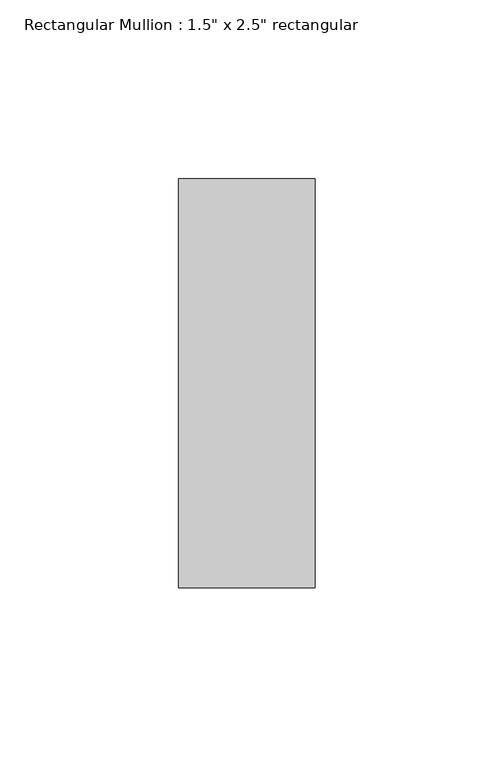
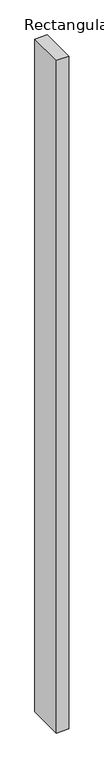
"""IFC4 building model written with IfcOpenShell, lengths in millimetres: member geometry."""

from ifc_helpers import new_model, si_unit, frame, origin, place, context, project, spatial, polyline, outline, extrude, source, transform, mapped, element, save


def member_e5330c10(model_context):
    return source(origin(), model_context, "Body", "SweptSolid", [
        extrude(outline(polyline([(19.05, 57.15), (19.05, -57.15), (-19.05, -57.15), (-19.05, 57.15), (19.05, 57.15)])), frame((0.0, 0.0, -2190.75), z_axis=(0.0, 0.0, 1.0), x_axis=(1.0, 0.0, 0.0)), (0.0, 0.0, 1.0), 2190.75),
    ])


if __name__ == "__main__":
    model = new_model("IFC4")
    model_context = context("Model", 3, world=origin())
    ifc_project = project(units=[si_unit("LENGTHUNIT", "METRE", prefix="MILLI")], contexts=[model_context])
    site = spatial("IfcSite", under=ifc_project)
    building = spatial("IfcBuilding", under=site)
    placement = place(None, origin())
    member_shape = member_e5330c10(model_context)
    element("IfcMember", 1, ObjectType="Rectangular Mullion : 1.5\" x 2.5\" rectangular", at=placement, inside=building, context=model_context, shape_type="MappedRepresentation", body=[
        mapped(member_shape, transform((0.0, 0.0, 0.0), x_axis=(1.0, 0.0, 0.0), y_axis=(0.0, 1.0, 0.0), z_axis=(0.0, 0.0, 1.0))),
    ])
    save(model, "model.ifc")
